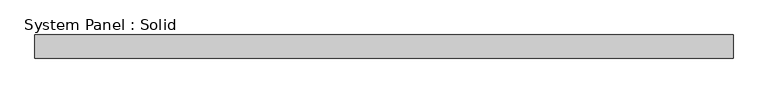
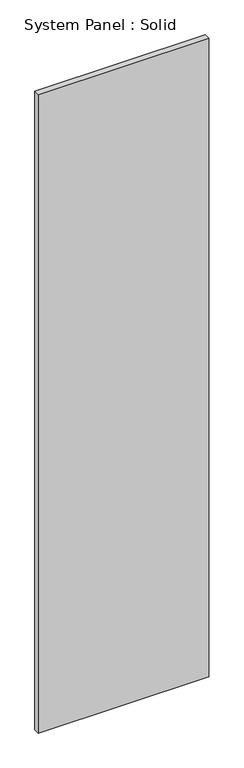
"""IFC4 building model written with IfcOpenShell, lengths in millimetres: plate geometry, System Panel : Solid."""

from ifc_helpers import new_model, si_unit, origin, origin_with_axes, place, context, project, spatial, polyline, outline, extrude, source, transform, mapped, element, save


def system_panel_solid_8f3bc200(model_context):
    return source(origin(), model_context, "Body", "SweptSolid", [
        extrude(outline(polyline([(750.0000035, -25.0), (-750.0000035, -25.0), (-750.0000035, 25.0), (750.0000035, 25.0), (750.0000035, -25.0)])), origin_with_axes(), (0.0, 0.0, 1.0), 5940.0),
    ])


if __name__ == "__main__":
    model = new_model("IFC4")
    model_context = context("Model", 3, world=origin())
    ifc_project = project(units=[si_unit("LENGTHUNIT", "METRE", prefix="MILLI")], contexts=[model_context])
    site = spatial("IfcSite", under=ifc_project)
    building = spatial("IfcBuilding", under=site)
    placement = place(None, origin())
    system_panel_solid_shape = system_panel_solid_8f3bc200(model_context)
    element("IfcPlate", 1, ObjectType="System Panel : Solid", at=placement, inside=building, context=model_context, shape_type="MappedRepresentation", body=[
        mapped(system_panel_solid_shape, transform((0.0, 0.0, 0.0), x_axis=(1.0, 0.0, 0.0), y_axis=(0.0, 1.0, 0.0), z_axis=(0.0, 0.0, 1.0))),
    ])
    save(model, "model.ifc")
